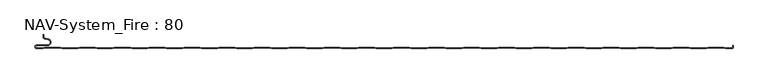
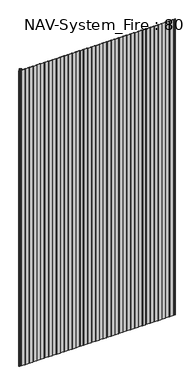
"""IFC4 building model written with IfcOpenShell, lengths in millimetres: plate geometry, NAV-System_Fire : 80."""

from ifc_helpers import new_model, si_unit, frame, origin, place, context, project, spatial, polyline, circle_curve, source, transform, mapped, element, save
from ifc_brep_helpers import plane_surface, cylinder_surface, revolved_surface, advanced_brep


def nav_system_fire_80_be6639ca(model_context):
    return source(origin(), model_context, "Body", "AdvancedBrep", [
        advanced_brep(
        [(-488.8798221, -80.8, 2000.0), (-497.2500001, -80.8, 2000.0), (-497.2500001, -77.4000001, 2000.0), (-481.8502086, -77.4000001, 2000.0), (-480.9923864, -67.5950498, 2000.0), (-485.8625665, -66.7363054, 2000.0), (-487.3500004, -64.9636506, 2000.0), (-487.3500014, -61.6578709, 2000.0), (-488.1500014, -61.6578709, 2000.0), (-488.1500014, -64.9636516, 2000.0), (-486.0014853, -67.5241512, 2000.0), (-481.1313015, -68.382896, 2000.0), (-481.850205, -76.6000001, 2000.0), (-497.2500001, -76.6000001, 2000.0), (-497.2500001, -81.6, 2000.0), (-488.75, -81.6, 2000.0), (-485.75, -80.6, 2000.0), (-463.75, -80.6, 2000.0), (-460.75, -81.6, 2000.0), (-438.75, -81.6, 2000.0), (-435.75, -80.6, 2000.0), (-413.75, -80.6, 2000.0), (-410.75, -81.6, 2000.0), (-388.75, -81.6, 2000.0), (-385.75, -80.6, 2000.0), (-363.75, -80.6, 2000.0), (-360.75, -81.6, 2000.0), (-338.75, -81.6, 2000.0), (-335.75, -80.6, 2000.0), (-313.75, -80.6, 2000.0), (-310.75, -81.6, 2000.0), (-288.75, -81.6, 2000.0), (-285.75, -80.6, 2000.0), (-263.75, -80.6, 2000.0), (-260.75, -81.6, 2000.0), (-238.75, -81.6, 2000.0), (-235.75, -80.6, 2000.0), (-213.75, -80.6, 2000.0), (-210.75, -81.6, 2000.0), (-188.75, -81.6, 2000.0), (-185.75, -80.6, 2000.0), (-163.75, -80.6, 2000.0), (-160.75, -81.6, 2000.0), (-138.75, -81.6, 2000.0), (-135.75, -80.6, 2000.0), (-113.75, -80.6, 2000.0), (-110.75, -81.6, 2000.0), (-88.75, -81.6, 2000.0), (-85.75, -80.6, 2000.0), (-63.75, -80.6, 2000.0), (-60.75, -81.6, 2000.0), (-38.75, -81.6, 2000.0), (-35.75, -80.6, 2000.0), (-13.75, -80.6, 2000.0), (-10.75, -81.6, 2000.0), (11.25, -81.6, 2000.0), (14.25, -80.6, 2000.0), (36.25, -80.6, 2000.0), (39.25, -81.6, 2000.0), (61.25, -81.6, 2000.0), (64.25, -80.6, 2000.0), (86.25, -80.6, 2000.0), (89.25, -81.6, 2000.0), (111.25, -81.6, 2000.0), (114.25, -80.6, 2000.0), (136.25, -80.6, 2000.0), (139.25, -81.6, 2000.0), (161.25, -81.6, 2000.0), (164.25, -80.6, 2000.0), (186.25, -80.6, 2000.0), (189.25, -81.6, 2000.0), (211.25, -81.6, 2000.0), (214.25, -80.6, 2000.0), (236.25, -80.6, 2000.0), (239.25, -81.6, 2000.0), (261.25, -81.6, 2000.0), (264.25, -80.6, 2000.0), (286.25, -80.6, 2000.0), (289.25, -81.6, 2000.0), (311.25, -81.6, 2000.0), (314.25, -80.6, 2000.0), (336.25, -80.6, 2000.0), (339.25, -81.6, 2000.0), (361.25, -81.6, 2000.0), (364.25, -80.6, 2000.0), (386.25, -80.6, 2000.0), (389.25, -81.6, 2000.0), (411.25, -81.6, 2000.0), (414.25, -80.6, 2000.0), (436.25, -80.6, 2000.0), (439.25, -81.6, 2000.0), (461.25, -81.6, 2000.0), (464.25, -80.6, 2000.0), (486.25, -80.6, 2000.0), (489.25, -81.6, 2000.0), (498.2500007, -81.6, 2000.0), (499.75, -80.9228766, 2000.0), (499.75, -76.9390429, 2000.0), (499.4499998, -78.1999953, 2000.0), (499.4499998, -79.5978602, 2000.0), (498.2500017, -80.7999998, 2000.0), (489.3798221, -80.8, 2000.0), (486.3798221, -79.8, 2000.0), (464.1201779, -79.8, 2000.0), (461.1201779, -80.8, 2000.0), (439.3798221, -80.8, 2000.0), (436.3798221, -79.8, 2000.0), (414.1201779, -79.8, 2000.0), (411.1201779, -80.8, 2000.0), (389.3798221, -80.8, 2000.0), (386.3798221, -79.8, 2000.0), (364.1201779, -79.8, 2000.0), (361.1201779, -80.8, 2000.0), (339.3798221, -80.8, 2000.0), (336.3798221, -79.8, 2000.0), (314.1201779, -79.8, 2000.0), (311.1201779, -80.8, 2000.0), (289.3798221, -80.8, 2000.0), (286.3798221, -79.8, 2000.0), (264.1201779, -79.8, 2000.0), (261.1201779, -80.8, 2000.0), (239.3798221, -80.8, 2000.0), (236.3798221, -79.8, 2000.0), (214.1201779, -79.8, 2000.0), (211.1201779, -80.8, 2000.0), (189.3798221, -80.8, 2000.0), (186.3798221, -79.8, 2000.0), (164.1201779, -79.8, 2000.0), (161.1201779, -80.8, 2000.0), (139.3798221, -80.8, 2000.0), (136.3798221, -79.8, 2000.0), (114.1201779, -79.8, 2000.0), (111.1201779, -80.8, 2000.0), (89.3798221, -80.8, 2000.0), (86.3798221, -79.8, 2000.0), (64.1201779, -79.8, 2000.0), (61.1201779, -80.8, 2000.0), (39.3798221, -80.8, 2000.0), (36.3798221, -79.8, 2000.0), (14.1201779, -79.8, 2000.0), (11.1201779, -80.8, 2000.0), (-10.6201779, -80.8, 2000.0), (-13.6201779, -79.8, 2000.0), (-35.8798221, -79.8, 2000.0), (-38.8798221, -80.8, 2000.0), (-60.6201779, -80.8, 2000.0), (-63.6201779, -79.8, 2000.0), (-85.8798221, -79.8, 2000.0), (-88.8798221, -80.8, 2000.0), (-110.6201779, -80.8, 2000.0), (-113.6201779, -79.8, 2000.0), (-135.8798221, -79.8, 2000.0), (-138.8798221, -80.8, 2000.0), (-160.6201779, -80.8, 2000.0), (-163.6201779, -79.8, 2000.0), (-185.8798221, -79.8, 2000.0), (-188.8798221, -80.8, 2000.0), (-210.6201779, -80.8, 2000.0), (-213.6201779, -79.8, 2000.0), (-235.8798221, -79.8, 2000.0), (-238.8798221, -80.8, 2000.0), (-260.6201779, -80.8, 2000.0), (-263.6201779, -79.8, 2000.0), (-285.8798221, -79.8, 2000.0), (-288.8798221, -80.8, 2000.0), (-310.6201779, -80.8, 2000.0), (-313.6201779, -79.8, 2000.0), (-335.8798221, -79.8, 2000.0), (-338.8798221, -80.8, 2000.0), (-360.6201779, -80.8, 2000.0), (-363.6201779, -79.8, 2000.0), (-385.8798221, -79.8, 2000.0), (-388.8798221, -80.8, 2000.0), (-410.6201779, -80.8, 2000.0), (-413.6201779, -79.8, 2000.0), (-435.8798221, -79.8, 2000.0), (-438.8798221, -80.8, 2000.0), (-460.6201779, -80.8, 2000.0), (-463.6201779, -79.8, 2000.0), (-485.8798221, -79.8, 2000.0), (-488.8798221, -80.8, 0.0), (-485.8798221, -79.8, 0.0), (-463.6201779, -79.8, 0.0), (-460.6201779, -80.8, 0.0), (-438.8798221, -80.8, 0.0), (-435.8798221, -79.8, 0.0), (-413.6201779, -79.8, 0.0), (-410.6201779, -80.8, 0.0), (-388.8798221, -80.8, 0.0), (-385.8798221, -79.8, 0.0), (-363.6201779, -79.8, 0.0), (-360.6201779, -80.8, 0.0), (-338.8798221, -80.8, 0.0), (-335.8798221, -79.8, 0.0), (-313.6201779, -79.8, 0.0), (-310.6201779, -80.8, 0.0), (-288.8798221, -80.8, 0.0), (-285.8798221, -79.8, 0.0), (-263.6201779, -79.8, 0.0), (-260.6201779, -80.8, 0.0), (-238.8798221, -80.8, 0.0), (-235.8798221, -79.8, 0.0), (-213.6201779, -79.8, 0.0), (-210.6201779, -80.8, 0.0), (-188.8798221, -80.8, 0.0), (-185.8798221, -79.8, 0.0), (-163.6201779, -79.8, 0.0), (-160.6201779, -80.8, 0.0), (-138.8798221, -80.8, 0.0), (-135.8798221, -79.8, 0.0), (-113.6201779, -79.8, 0.0), (-110.6201779, -80.8, 0.0), (-88.8798221, -80.8, 0.0), (-85.8798221, -79.8, 0.0), (-63.6201779, -79.8, 0.0), (-60.6201779, -80.8, 0.0), (-38.8798221, -80.8, 0.0), (-35.8798221, -79.8, 0.0), (-13.6201779, -79.8, 0.0), (-10.6201779, -80.8, 0.0), (11.1201779, -80.8, 0.0), (14.1201779, -79.8, 0.0), (36.3798221, -79.8, 0.0), (39.3798221, -80.8, 0.0), (61.1201779, -80.8, 0.0), (64.1201779, -79.8, 0.0), (86.3798221, -79.8, 0.0), (89.3798221, -80.8, 0.0), (111.1201779, -80.8, 0.0), (114.1201779, -79.8, 0.0), (136.3798221, -79.8, 0.0), (139.3798221, -80.8, 0.0), (161.1201779, -80.8, 0.0), (164.1201779, -79.8, 0.0), (186.3798221, -79.8, 0.0), (189.3798221, -80.8, 0.0), (211.1201779, -80.8, 0.0), (214.1201779, -79.8, 0.0), (236.3798221, -79.8, 0.0), (239.3798221, -80.8, 0.0), (261.1201779, -80.8, 0.0), (264.1201779, -79.8, 0.0), (286.3798221, -79.8, 0.0), (289.3798221, -80.8, 0.0), (311.1201779, -80.8, 0.0), (314.1201779, -79.8, 0.0), (336.3798221, -79.8, 0.0), (339.3798221, -80.8, 0.0), (361.1201779, -80.8, 0.0), (364.1201779, -79.8, 0.0), (386.3798221, -79.8, 0.0), (389.3798221, -80.8, 0.0), (411.1201779, -80.8, 0.0), (414.1201779, -79.8, 0.0), (436.3798221, -79.8, 0.0), (439.3798221, -80.8, 0.0), (461.1201779, -80.8, 0.0), (464.1201779, -79.8, 0.0), (486.3798221, -79.8, 0.0), (489.3798221, -80.8, 0.0), (498.2500017, -80.8, 0.0), (499.4499998, -79.5978602, 0.0), (499.4499998, -78.1999953, 0.0), (499.75, -76.9390429, 0.0), (499.75, -80.9228766, 0.0), (498.2500007, -81.6, 0.0), (489.25, -81.6, 0.0), (486.25, -80.6, 0.0), (464.25, -80.6, 0.0), (461.25, -81.6, 0.0), (439.25, -81.6, 0.0), (436.25, -80.6, 0.0), (414.25, -80.6, 0.0), (411.25, -81.6, 0.0), (389.25, -81.6, 0.0), (386.25, -80.6, 0.0), (364.25, -80.6, 0.0), (361.25, -81.6, 0.0), (339.25, -81.6, 0.0), (336.25, -80.6, 0.0), (314.25, -80.6, 0.0), (311.25, -81.6, 0.0), (289.25, -81.6, 0.0), (286.25, -80.6, 0.0), (264.25, -80.6, 0.0), (261.25, -81.6, 0.0), (239.25, -81.6, 0.0), (236.25, -80.6, 0.0), (214.25, -80.6, 0.0), (211.25, -81.6, 0.0), (189.25, -81.6, 0.0), (186.25, -80.6, 0.0), (164.25, -80.6, 0.0), (161.25, -81.6, 0.0), (139.25, -81.6, 0.0), (136.25, -80.6, 0.0), (114.25, -80.6, 0.0), (111.25, -81.6, 0.0), (89.25, -81.6, 0.0), (86.25, -80.6, 0.0), (64.25, -80.6, 0.0), (61.25, -81.6, 0.0), (39.25, -81.6, 0.0), (36.25, -80.6, 0.0), (14.25, -80.6, 0.0), (11.25, -81.6, 0.0), (-10.75, -81.6, 0.0), (-13.75, -80.6, 0.0), (-35.75, -80.6, 0.0), (-38.75, -81.6, 0.0), (-60.75, -81.6, 0.0), (-63.75, -80.6, 0.0), (-85.75, -80.6, 0.0), (-88.75, -81.6, 0.0), (-110.75, -81.6, 0.0), (-113.75, -80.6, 0.0), (-135.75, -80.6, 0.0), (-138.75, -81.6, 0.0), (-160.75, -81.6, 0.0), (-163.75, -80.6, 0.0), (-185.75, -80.6, 0.0), (-188.75, -81.6, 0.0), (-210.75, -81.6, 0.0), (-213.75, -80.6, 0.0), (-235.75, -80.6, 0.0), (-238.75, -81.6, 0.0), (-260.75, -81.6, 0.0), (-263.75, -80.6, 0.0), (-285.75, -80.6, 0.0), (-288.75, -81.6, 0.0), (-310.75, -81.6, 0.0), (-313.75, -80.6, 0.0), (-335.75, -80.6, 0.0), (-338.75, -81.6, 0.0), (-360.75, -81.6, 0.0), (-363.75, -80.6, 0.0), (-385.75, -80.6, 0.0), (-388.75, -81.6, 0.0), (-410.75, -81.6, 0.0), (-413.75, -80.6, 0.0), (-435.75, -80.6, 0.0), (-438.75, -81.6, 0.0), (-460.75, -81.6, 0.0), (-463.75, -80.6, 0.0), (-485.75, -80.6, 0.0), (-488.75, -81.6, 0.0), (-497.2500001, -81.6, 0.0), (-497.2500001, -76.6000001, 0.0), (-481.850205, -76.6000001, 0.0), (-481.1313015, -68.382896, 0.0), (-486.0014853, -67.5241512, 0.0), (-488.1499997, -64.9636516, 0.0), (-488.1500014, -61.6578709, 0.0), (-487.3500014, -61.6578709, 0.0), (-487.3500014, -64.9636506, 0.0), (-485.8625665, -66.7363054, 0.0), (-480.9923864, -67.5950498, 0.0), (-481.8502086, -77.4000001, 0.0), (-497.2500001, -77.4000001, 0.0), (-497.2500001, -80.7999998, 0.0)],
        [
            (0, 1),
            (1, 2, circle_curve(frame((-497.2500001, -79.1, 2000.0), z_axis=(0.0, 0.0, -1.0), x_axis=(1.0, 0.0, 0.0)), 1.6999999)),
            (2, 3),
            (3, 4, circle_curve(frame((-481.8502086, -72.4600001, 2000.0), z_axis=(0.0, 0.0, 1.0), x_axis=(1.0, 0.0, 0.0)), 4.94)),
            (4, 5),
            (5, 6, circle_curve(frame((-485.5499995, -64.9636506, 2000.0), z_axis=(0.0, 0.0, -1.0), x_axis=(1.0, 0.0, 0.0)), 1.8000009)),
            (6, 7),
            (7, 8),
            (8, 9),
            (9, 10, circle_curve(frame((-485.5500002, -64.9636516, 2000.0), z_axis=(0.0, 0.0, 1.0), x_axis=(1.0, 0.0, 0.0)), 2.5999995)),
            (10, 11),
            (11, 12, circle_curve(frame((-481.850205, -72.4600001, 2000.0), z_axis=(0.0, 0.0, -1.0), x_axis=(1.0, 0.0, 0.0)), 4.14)),
            (12, 13),
            (13, 14, circle_curve(frame((-497.2500001, -79.1000001, 2000.0), z_axis=(0.0, 0.0, 1.0), x_axis=(1.0, 0.0, 0.0)), 2.4999999)),
            (14, 15),
            (15, 16),
            (16, 17),
            (17, 18),
            (18, 19),
            (19, 20),
            (20, 21),
            (21, 22),
            (22, 23),
            (23, 24),
            (24, 25),
            (25, 26),
            (26, 27),
            (27, 28),
            (28, 29),
            (29, 30),
            (30, 31),
            (31, 32),
            (32, 33),
            (33, 34),
            (34, 35),
            (35, 36),
            (36, 37),
            (37, 38),
            (38, 39),
            (39, 40),
            (40, 41),
            (41, 42),
            (42, 43),
            (43, 44),
            (44, 45),
            (45, 46),
            (46, 47),
            (47, 48),
            (48, 49),
            (49, 50),
            (50, 51),
            (51, 52),
            (52, 53),
            (53, 54),
            (54, 55),
            (55, 56),
            (56, 57),
            (57, 58),
            (58, 59),
            (59, 60),
            (60, 61),
            (61, 62),
            (62, 63),
            (63, 64),
            (64, 65),
            (65, 66),
            (66, 67),
            (67, 68),
            (68, 69),
            (69, 70),
            (70, 71),
            (71, 72),
            (72, 73),
            (73, 74),
            (74, 75),
            (75, 76),
            (76, 77),
            (77, 78),
            (78, 79),
            (79, 80),
            (80, 81),
            (81, 82),
            (82, 83),
            (83, 84),
            (84, 85),
            (85, 86),
            (86, 87),
            (87, 88),
            (88, 89),
            (89, 90),
            (90, 91),
            (91, 92),
            (92, 93),
            (93, 94),
            (94, 95),
            (95, 96, circle_curve(frame((498.2500007, -79.5999998, 2000.0), z_axis=(0.0, 0.0, 1.0), x_axis=(1.0, 0.0, 0.0)), 2.0000002)),
            (96, 97),
            (97, 98, circle_curve(frame((502.2499995, -78.1999953, 2000.0), z_axis=(0.0, 0.0, 1.0), x_axis=(1.0, 0.0, 0.0)), 2.7999997)),
            (98, 99),
            (99, 100, circle_curve(frame((498.2500017, -79.5999998, 2000.0), z_axis=(0.0, 0.0, -1.0), x_axis=(1.0, 0.0, 0.0)), 1.2)),
            (100, 101),
            (101, 102),
            (102, 103),
            (103, 104),
            (104, 105),
            (105, 106),
            (106, 107),
            (107, 108),
            (108, 109),
            (109, 110),
            (110, 111),
            (111, 112),
            (112, 113),
            (113, 114),
            (114, 115),
            (115, 116),
            (116, 117),
            (117, 118),
            (118, 119),
            (119, 120),
            (120, 121),
            (121, 122),
            (122, 123),
            (123, 124),
            (124, 125),
            (125, 126),
            (126, 127),
            (127, 128),
            (128, 129),
            (129, 130),
            (130, 131),
            (131, 132),
            (132, 133),
            (133, 134),
            (134, 135),
            (135, 136),
            (136, 137),
            (137, 138),
            (138, 139),
            (139, 140),
            (140, 141),
            (141, 142),
            (142, 143),
            (143, 144),
            (144, 145),
            (145, 146),
            (146, 147),
            (147, 148),
            (148, 149),
            (149, 150),
            (150, 151),
            (151, 152),
            (152, 153),
            (153, 154),
            (154, 155),
            (155, 156),
            (156, 157),
            (157, 158),
            (158, 159),
            (159, 160),
            (160, 161),
            (161, 162),
            (162, 163),
            (163, 164),
            (164, 165),
            (165, 166),
            (166, 167),
            (167, 168),
            (168, 169),
            (169, 170),
            (170, 171),
            (171, 172),
            (172, 173),
            (173, 174),
            (174, 175),
            (175, 176),
            (176, 177),
            (177, 178),
            (178, 179),
            (179, 0),
            (180, 181),
            (181, 182),
            (182, 183),
            (183, 184),
            (184, 185),
            (185, 186),
            (186, 187),
            (187, 188),
            (188, 189),
            (189, 190),
            (190, 191),
            (191, 192),
            (192, 193),
            (193, 194),
            (194, 195),
            (195, 196),
            (196, 197),
            (197, 198),
            (198, 199),
            (199, 200),
            (200, 201),
            (201, 202),
            (202, 203),
            (203, 204),
            (204, 205),
            (205, 206),
            (206, 207),
            (207, 208),
            (208, 209),
            (209, 210),
            (210, 211),
            (211, 212),
            (212, 213),
            (213, 214),
            (214, 215),
            (215, 216),
            (216, 217),
            (217, 218),
            (218, 219),
            (219, 220),
            (220, 221),
            (221, 222),
            (222, 223),
            (223, 224),
            (224, 225),
            (225, 226),
            (226, 227),
            (227, 228),
            (228, 229),
            (229, 230),
            (230, 231),
            (231, 232),
            (232, 233),
            (233, 234),
            (234, 235),
            (235, 236),
            (236, 237),
            (237, 238),
            (238, 239),
            (239, 240),
            (240, 241),
            (241, 242),
            (242, 243),
            (243, 244),
            (244, 245),
            (245, 246),
            (246, 247),
            (247, 248),
            (248, 249),
            (249, 250),
            (250, 251),
            (251, 252),
            (252, 253),
            (253, 254),
            (254, 255),
            (255, 256),
            (256, 257),
            (257, 258),
            (258, 259),
            (259, 260),
            (260, 261, circle_curve(frame((498.2500017, -79.5999998, 0.0), z_axis=(0.0, 0.0, 1.0), x_axis=(1.0, 0.0, 0.0)), 1.2)),
            (261, 262),
            (262, 263, circle_curve(frame((502.2499995, -78.1999953, 0.0), z_axis=(0.0, 0.0, -1.0), x_axis=(1.0, 0.0, 0.0)), 2.7999997)),
            (263, 264),
            (264, 265, circle_curve(frame((498.2500007, -79.5999998, 0.0), z_axis=(0.0, 0.0, -1.0), x_axis=(1.0, 0.0, 0.0)), 2.0000002)),
            (265, 266),
            (266, 267),
            (267, 268),
            (268, 269),
            (269, 270),
            (270, 271),
            (271, 272),
            (272, 273),
            (273, 274),
            (274, 275),
            (275, 276),
            (276, 277),
            (277, 278),
            (278, 279),
            (279, 280),
            (280, 281),
            (281, 282),
            (282, 283),
            (283, 284),
            (284, 285),
            (285, 286),
            (286, 287),
            (287, 288),
            (288, 289),
            (289, 290),
            (290, 291),
            (291, 292),
            (292, 293),
            (293, 294),
            (294, 295),
            (295, 296),
            (296, 297),
            (297, 298),
            (298, 299),
            (299, 300),
            (300, 301),
            (301, 302),
            (302, 303),
            (303, 304),
            (304, 305),
            (305, 306),
            (306, 307),
            (307, 308),
            (308, 309),
            (309, 310),
            (310, 311),
            (311, 312),
            (312, 313),
            (313, 314),
            (314, 315),
            (315, 316),
            (316, 317),
            (317, 318),
            (318, 319),
            (319, 320),
            (320, 321),
            (321, 322),
            (322, 323),
            (323, 324),
            (324, 325),
            (325, 326),
            (326, 327),
            (327, 328),
            (328, 329),
            (329, 330),
            (330, 331),
            (331, 332),
            (332, 333),
            (333, 334),
            (334, 335),
            (335, 336),
            (336, 337),
            (337, 338),
            (338, 339),
            (339, 340),
            (340, 341),
            (341, 342),
            (342, 343),
            (343, 344),
            (344, 345),
            (345, 346),
            (346, 347, circle_curve(frame((-497.2500001, -79.1000001, 0.0), z_axis=(0.0, 0.0, -1.0), x_axis=(1.0, 0.0, 0.0)), 2.4999999)),
            (347, 348),
            (348, 349, circle_curve(frame((-481.850205, -72.4600001, 0.0), z_axis=(0.0, 0.0, 1.0), x_axis=(1.0, 0.0, 0.0)), 4.14)),
            (349, 350),
            (350, 351, circle_curve(frame((-485.5500002, -64.9636516, 0.0), z_axis=(0.0, 0.0, -1.0), x_axis=(1.0, 0.0, 0.0)), 2.5999995)),
            (351, 352),
            (352, 353),
            (353, 354),
            (354, 355, circle_curve(frame((-485.5499995, -64.9636506, 0.0), z_axis=(0.0, 0.0, 1.0), x_axis=(1.0, 0.0, 0.0)), 1.8000009)),
            (355, 356),
            (356, 357, circle_curve(frame((-481.8502086, -72.4600001, 0.0), z_axis=(0.0, 0.0, -1.0), x_axis=(1.0, 0.0, 0.0)), 4.94)),
            (357, 358),
            (358, 359, circle_curve(frame((-497.2500001, -79.1, 0.0), z_axis=(0.0, 0.0, 1.0), x_axis=(1.0, 0.0, 0.0)), 1.6999999)),
            (359, 180),
            (14, 346),
            (345, 15),
            (0, 180),
            (359, 1),
            (100, 260),
            (259, 101),
            (258, 102),
            (257, 103),
            (256, 104),
            (255, 105),
            (254, 106),
            (253, 107),
            (252, 108),
            (251, 109),
            (250, 110),
            (249, 111),
            (248, 112),
            (247, 113),
            (246, 114),
            (245, 115),
            (244, 116),
            (243, 117),
            (242, 118),
            (241, 119),
            (240, 120),
            (239, 121),
            (238, 122),
            (237, 123),
            (236, 124),
            (235, 125),
            (234, 126),
            (233, 127),
            (232, 128),
            (231, 129),
            (230, 130),
            (229, 131),
            (228, 132),
            (227, 133),
            (226, 134),
            (225, 135),
            (224, 136),
            (223, 137),
            (222, 138),
            (221, 139),
            (220, 140),
            (219, 141),
            (218, 142),
            (217, 143),
            (216, 144),
            (215, 145),
            (214, 146),
            (213, 147),
            (212, 148),
            (211, 149),
            (210, 150),
            (209, 151),
            (208, 152),
            (207, 153),
            (206, 154),
            (205, 155),
            (204, 156),
            (203, 157),
            (202, 158),
            (201, 159),
            (200, 160),
            (199, 161),
            (198, 162),
            (197, 163),
            (196, 164),
            (195, 165),
            (194, 166),
            (193, 167),
            (192, 168),
            (191, 169),
            (190, 170),
            (189, 171),
            (188, 172),
            (187, 173),
            (186, 174),
            (185, 175),
            (184, 176),
            (183, 177),
            (182, 178),
            (181, 179),
            (344, 16),
            (343, 17),
            (342, 18),
            (341, 19),
            (340, 20),
            (339, 21),
            (338, 22),
            (337, 23),
            (336, 24),
            (335, 25),
            (334, 26),
            (333, 27),
            (332, 28),
            (331, 29),
            (330, 30),
            (329, 31),
            (328, 32),
            (327, 33),
            (326, 34),
            (325, 35),
            (324, 36),
            (323, 37),
            (322, 38),
            (321, 39),
            (320, 40),
            (319, 41),
            (318, 42),
            (317, 43),
            (316, 44),
            (315, 45),
            (314, 46),
            (313, 47),
            (312, 48),
            (311, 49),
            (310, 50),
            (309, 51),
            (308, 52),
            (307, 53),
            (306, 54),
            (305, 55),
            (304, 56),
            (303, 57),
            (302, 58),
            (301, 59),
            (300, 60),
            (299, 61),
            (298, 62),
            (297, 63),
            (296, 64),
            (295, 65),
            (294, 66),
            (293, 67),
            (292, 68),
            (291, 69),
            (290, 70),
            (289, 71),
            (288, 72),
            (287, 73),
            (286, 74),
            (285, 75),
            (284, 76),
            (283, 77),
            (282, 78),
            (281, 79),
            (280, 80),
            (279, 81),
            (278, 82),
            (277, 83),
            (276, 84),
            (275, 85),
            (274, 86),
            (273, 87),
            (272, 88),
            (271, 89),
            (270, 90),
            (269, 91),
            (268, 92),
            (267, 93),
            (266, 94),
            (265, 95),
            (2, 358),
            (357, 3),
            (6, 354),
            (353, 7),
            (352, 8),
            (351, 9),
            (12, 348),
            (347, 13),
            (356, 4),
            (355, 5),
            (350, 10),
            (349, 11),
            (264, 96),
            (262, 98),
            (97, 263),
            (261, 99),
        ],
        [
            plane_surface(frame((-499.75, -81.6, 2000.0), z_axis=(0.0, 0.0, 1.0), x_axis=(-1.0, 0.0, 0.0))),
            plane_surface(frame((-499.75, -81.6, 0.0), z_axis=(0.0, 0.0, -1.0), x_axis=(-1.0, 0.0, 0.0))),
            plane_surface(frame((-497.2500001, -81.6, 2000.0), z_axis=(0.0, -1.0, 0.0), x_axis=(0.0, 0.0, -1.0))),
            plane_surface(frame((-488.8798221, -80.8, 2000.0), z_axis=(0.0, 1.0, 0.0), x_axis=(0.0, 0.0, -1.0))),
            plane_surface(frame((498.2500017, -80.8, 2000.0), z_axis=(0.0, 1.0, 0.0), x_axis=(0.0, 0.0, -1.0))),
            plane_surface(frame((489.3798221, -80.8, 2000.0), z_axis=(0.31622776601669583, 0.9486832980505612, 0.0), x_axis=(0.0, 0.0, -1.0))),
            plane_surface(frame((486.3798221, -79.8, 2000.0), z_axis=(0.0, 1.0, 0.0), x_axis=(0.0, 0.0, -1.0))),
            plane_surface(frame((464.1201779, -79.8, 2000.0), z_axis=(-0.31622776601680463, 0.948683298050525, 0.0), x_axis=(0.0, 0.0, -1.0))),
            plane_surface(frame((461.1201779, -80.8, 2000.0), z_axis=(0.0, 1.0, 0.0), x_axis=(0.0, 0.0, -1.0))),
            plane_surface(frame((439.3798221, -80.8, 2000.0), z_axis=(0.3162277660167412, 0.9486832980505461, 0.0), x_axis=(0.0, 0.0, -1.0))),
            plane_surface(frame((436.3798221, -79.8, 2000.0), z_axis=(0.0, 1.0, 0.0), x_axis=(0.0, 0.0, -1.0))),
            plane_surface(frame((414.1201779, -79.8, 2000.0), z_axis=(-0.3162277660167537, 0.948683298050542, 0.0), x_axis=(0.0, 0.0, -1.0))),
            plane_surface(frame((411.1201779, -80.8, 2000.0), z_axis=(0.0, 1.0, 0.0), x_axis=(0.0, 0.0, -1.0))),
            plane_surface(frame((389.3798221, -80.8, 2000.0), z_axis=(0.31622776601679214, 0.9486832980505291, 0.0), x_axis=(0.0, 0.0, -1.0))),
            plane_surface(frame((386.3798221, -79.8, 2000.0), z_axis=(0.0, 1.0, 0.0), x_axis=(0.0, 0.0, -1.0))),
            plane_surface(frame((364.1201779, -79.8, 2000.0), z_axis=(-0.31622776601680463, 0.948683298050525, 0.0), x_axis=(0.0, 0.0, -1.0))),
            plane_surface(frame((361.1201779, -80.8, 2000.0), z_axis=(0.0, 1.0, 0.0), x_axis=(0.0, 0.0, -1.0))),
            plane_surface(frame((339.3798221, -80.8, 2000.0), z_axis=(0.3162277660167412, 0.9486832980505461, 0.0), x_axis=(0.0, 0.0, -1.0))),
            plane_surface(frame((336.3798221, -79.8, 2000.0), z_axis=(0.0, 1.0, 0.0), x_axis=(0.0, 0.0, -1.0))),
            plane_surface(frame((314.1201779, -79.8, 2000.0), z_axis=(-0.3162277660167537, 0.948683298050542, 0.0), x_axis=(0.0, 0.0, -1.0))),
            plane_surface(frame((311.1201779, -80.8, 2000.0), z_axis=(0.0, 1.0, 0.0), x_axis=(0.0, 0.0, -1.0))),
            plane_surface(frame((289.3798221, -80.8, 2000.0), z_axis=(0.31622776601679214, 0.9486832980505291, 0.0), x_axis=(0.0, 0.0, -1.0))),
            plane_surface(frame((286.3798221, -79.8, 2000.0), z_axis=(0.0, 1.0, 0.0), x_axis=(0.0, 0.0, -1.0))),
            plane_surface(frame((264.1201779, -79.8, 2000.0), z_axis=(-0.31622776601680463, 0.948683298050525, 0.0), x_axis=(0.0, 0.0, -1.0))),
            plane_surface(frame((261.1201779, -80.8, 2000.0), z_axis=(0.0, 1.0, 0.0), x_axis=(0.0, 0.0, -1.0))),
            plane_surface(frame((239.3798221, -80.8, 2000.0), z_axis=(0.3162277660167412, 0.9486832980505461, 0.0), x_axis=(0.0, 0.0, -1.0))),
            plane_surface(frame((236.3798221, -79.8, 2000.0), z_axis=(0.0, 1.0, 0.0), x_axis=(0.0, 0.0, -1.0))),
            plane_surface(frame((214.1201779, -79.8, 2000.0), z_axis=(-0.3162277660167537, 0.948683298050542, 0.0), x_axis=(0.0, 0.0, -1.0))),
            plane_surface(frame((211.1201779, -80.8, 2000.0), z_axis=(0.0, 1.0, 0.0), x_axis=(0.0, 0.0, -1.0))),
            plane_surface(frame((189.3798221, -80.8, 2000.0), z_axis=(0.31622776601679214, 0.9486832980505291, 0.0), x_axis=(0.0, 0.0, -1.0))),
            plane_surface(frame((186.3798221, -79.8, 2000.0), z_axis=(0.0, 1.0, 0.0), x_axis=(0.0, 0.0, -1.0))),
            plane_surface(frame((164.1201779, -79.8, 2000.0), z_axis=(-0.31622776601680463, 0.948683298050525, 0.0), x_axis=(0.0, 0.0, -1.0))),
            plane_surface(frame((161.1201779, -80.8, 2000.0), z_axis=(0.0, 1.0, 0.0), x_axis=(0.0, 0.0, -1.0))),
            plane_surface(frame((139.3798221, -80.8, 2000.0), z_axis=(0.3162277660167412, 0.9486832980505461, 0.0), x_axis=(0.0, 0.0, -1.0))),
            plane_surface(frame((136.3798221, -79.8, 2000.0), z_axis=(0.0, 1.0, 0.0), x_axis=(0.0, 0.0, -1.0))),
            plane_surface(frame((114.1201779, -79.8, 2000.0), z_axis=(-0.3162277660167537, 0.948683298050542, 0.0), x_axis=(0.0, 0.0, -1.0))),
            plane_surface(frame((111.1201779, -80.8, 2000.0), z_axis=(0.0, 1.0, 0.0), x_axis=(0.0, 0.0, -1.0))),
            plane_surface(frame((89.3798221, -80.8, 2000.0), z_axis=(0.3162277660167412, 0.9486832980505461, 0.0), x_axis=(0.0, 0.0, -1.0))),
            plane_surface(frame((86.3798221, -79.8, 2000.0), z_axis=(0.0, 1.0, 0.0), x_axis=(0.0, 0.0, -1.0))),
            plane_surface(frame((64.1201779, -79.8, 2000.0), z_axis=(-0.3162277660167537, 0.948683298050542, 0.0), x_axis=(0.0, 0.0, -1.0))),
            plane_surface(frame((61.1201779, -80.8, 2000.0), z_axis=(0.0, 1.0, 0.0), x_axis=(0.0, 0.0, -1.0))),
            plane_surface(frame((39.3798221, -80.8, 2000.0), z_axis=(0.31622776601679214, 0.9486832980505291, 0.0), x_axis=(0.0, 0.0, -1.0))),
            plane_surface(frame((36.3798221, -79.8, 2000.0), z_axis=(0.0, 1.0, 0.0), x_axis=(0.0, 0.0, -1.0))),
            plane_surface(frame((14.1201779, -79.8, 2000.0), z_axis=(-0.31622776601680463, 0.948683298050525, 0.0), x_axis=(0.0, 0.0, -1.0))),
            plane_surface(frame((11.1201779, -80.8, 2000.0), z_axis=(0.0, 1.0, 0.0), x_axis=(0.0, 0.0, -1.0))),
            plane_surface(frame((-10.6201779, -80.8, 2000.0), z_axis=(0.3162277660167412, 0.9486832980505461, 0.0), x_axis=(0.0, 0.0, -1.0))),
            plane_surface(frame((-13.6201779, -79.8, 2000.0), z_axis=(0.0, 1.0, 0.0), x_axis=(0.0, 0.0, -1.0))),
            plane_surface(frame((-35.8798221, -79.8, 2000.0), z_axis=(-0.3162277660167537, 0.948683298050542, 0.0), x_axis=(0.0, 0.0, -1.0))),
            plane_surface(frame((-38.8798221, -80.8, 2000.0), z_axis=(0.0, 1.0, 0.0), x_axis=(0.0, 0.0, -1.0))),
            plane_surface(frame((-60.6201779, -80.8, 2000.0), z_axis=(0.31622776601679214, 0.9486832980505291, 0.0), x_axis=(0.0, 0.0, -1.0))),
            plane_surface(frame((-63.6201779, -79.8, 2000.0), z_axis=(0.0, 1.0, 0.0), x_axis=(0.0, 0.0, -1.0))),
            plane_surface(frame((-85.8798221, -79.8, 2000.0), z_axis=(-0.31622776601680463, 0.948683298050525, 0.0), x_axis=(0.0, 0.0, -1.0))),
            plane_surface(frame((-88.8798221, -80.8, 2000.0), z_axis=(0.0, 1.0, 0.0), x_axis=(0.0, 0.0, -1.0))),
            plane_surface(frame((-110.6201779, -80.8, 2000.0), z_axis=(0.3162277660167412, 0.9486832980505461, 0.0), x_axis=(0.0, 0.0, -1.0))),
            plane_surface(frame((-113.6201779, -79.8, 2000.0), z_axis=(0.0, 1.0, 0.0), x_axis=(0.0, 0.0, -1.0))),
            plane_surface(frame((-135.8798221, -79.8, 2000.0), z_axis=(-0.3162277660167537, 0.948683298050542, 0.0), x_axis=(0.0, 0.0, -1.0))),
            plane_surface(frame((-138.8798221, -80.8, 2000.0), z_axis=(0.0, 1.0, 0.0), x_axis=(0.0, 0.0, -1.0))),
            plane_surface(frame((-160.6201779, -80.8, 2000.0), z_axis=(0.31622776601679214, 0.9486832980505291, 0.0), x_axis=(0.0, 0.0, -1.0))),
            plane_surface(frame((-163.6201779, -79.8, 2000.0), z_axis=(0.0, 1.0, 0.0), x_axis=(0.0, 0.0, -1.0))),
            plane_surface(frame((-185.8798221, -79.8, 2000.0), z_axis=(-0.3162277660168057, 0.9486832980505246, 0.0), x_axis=(0.0, 0.0, -1.0))),
            plane_surface(frame((-188.8798221, -80.8, 2000.0), z_axis=(0.0, 1.0, 0.0), x_axis=(0.0, 0.0, -1.0))),
            plane_surface(frame((-210.6201779, -80.8, 2000.0), z_axis=(0.3162277660167412, 0.9486832980505461, 0.0), x_axis=(0.0, 0.0, -1.0))),
            plane_surface(frame((-213.6201779, -79.8, 2000.0), z_axis=(0.0, 1.0, 0.0), x_axis=(0.0, 0.0, -1.0))),
            plane_surface(frame((-235.8798221, -79.8, 2000.0), z_axis=(-0.3162277660167537, 0.948683298050542, 0.0), x_axis=(0.0, 0.0, -1.0))),
            plane_surface(frame((-238.8798221, -80.8, 2000.0), z_axis=(0.0, 1.0, 0.0), x_axis=(0.0, 0.0, -1.0))),
            plane_surface(frame((-260.6201779, -80.8, 2000.0), z_axis=(0.31622776601679214, 0.9486832980505291, 0.0), x_axis=(0.0, 0.0, -1.0))),
            plane_surface(frame((-263.6201779, -79.8, 2000.0), z_axis=(0.0, 1.0, 0.0), x_axis=(0.0, 0.0, -1.0))),
            plane_surface(frame((-285.8798221, -79.8, 2000.0), z_axis=(-0.31622776601680463, 0.948683298050525, 0.0), x_axis=(0.0, 0.0, -1.0))),
            plane_surface(frame((-288.8798221, -80.8, 2000.0), z_axis=(0.0, 1.0, 0.0), x_axis=(0.0, 0.0, -1.0))),
            plane_surface(frame((-310.6201779, -80.8, 2000.0), z_axis=(0.3162277660167412, 0.9486832980505461, 0.0), x_axis=(0.0, 0.0, -1.0))),
            plane_surface(frame((-313.6201779, -79.8, 2000.0), z_axis=(0.0, 1.0, 0.0), x_axis=(0.0, 0.0, -1.0))),
            plane_surface(frame((-335.8798221, -79.8, 2000.0), z_axis=(-0.3162277660167537, 0.948683298050542, 0.0), x_axis=(0.0, 0.0, -1.0))),
            plane_surface(frame((-338.8798221, -80.8, 2000.0), z_axis=(0.0, 1.0, 0.0), x_axis=(0.0, 0.0, -1.0))),
            plane_surface(frame((-360.6201779, -80.8, 2000.0), z_axis=(0.31622776601679214, 0.9486832980505291, 0.0), x_axis=(0.0, 0.0, -1.0))),
            plane_surface(frame((-363.6201779, -79.8, 2000.0), z_axis=(0.0, 1.0, 0.0), x_axis=(0.0, 0.0, -1.0))),
            plane_surface(frame((-385.8798221, -79.8, 2000.0), z_axis=(-0.31622776601680463, 0.948683298050525, 0.0), x_axis=(0.0, 0.0, -1.0))),
            plane_surface(frame((-388.8798221, -80.8, 2000.0), z_axis=(0.0, 1.0, 0.0), x_axis=(0.0, 0.0, -1.0))),
            plane_surface(frame((-410.6201779, -80.8, 2000.0), z_axis=(0.31622776601679214, 0.9486832980505291, 0.0), x_axis=(0.0, 0.0, -1.0))),
            plane_surface(frame((-413.6201779, -79.8, 2000.0), z_axis=(0.0, 1.0, 0.0), x_axis=(0.0, 0.0, -1.0))),
            plane_surface(frame((-435.8798221, -79.8, 2000.0), z_axis=(-0.31622776601680463, 0.948683298050525, 0.0), x_axis=(0.0, 0.0, -1.0))),
            plane_surface(frame((-438.8798221, -80.8, 2000.0), z_axis=(0.0, 1.0, 0.0), x_axis=(0.0, 0.0, -1.0))),
            plane_surface(frame((-460.6201779, -80.8, 2000.0), z_axis=(0.3162277660167412, 0.9486832980505461, 0.0), x_axis=(0.0, 0.0, -1.0))),
            plane_surface(frame((-463.6201779, -79.8, 2000.0), z_axis=(0.0, 1.0, 0.0), x_axis=(0.0, 0.0, -1.0))),
            plane_surface(frame((-485.8798221, -79.8, 2000.0), z_axis=(-0.3162277660167414, 0.9486832980505461, 0.0), x_axis=(0.0, 0.0, -1.0))),
            plane_surface(frame((-488.75, -81.6, 2000.0), z_axis=(0.31622776601671876, -0.9486832980505536, 0.0), x_axis=(0.0, 0.0, -1.0))),
            plane_surface(frame((-485.75, -80.6, 2000.0), z_axis=(0.0, -1.0, 0.0), x_axis=(0.0, 0.0, -1.0))),
            plane_surface(frame((-463.75, -80.6, 2000.0), z_axis=(-0.31622776601671854, -0.9486832980505536, 0.0), x_axis=(0.0, 0.0, -1.0))),
            plane_surface(frame((-460.75, -81.6, 2000.0), z_axis=(0.0, -1.0, 0.0), x_axis=(0.0, 0.0, -1.0))),
            plane_surface(frame((-438.75, -81.6, 2000.0), z_axis=(0.31622776601678765, -0.9486832980505306, 0.0), x_axis=(0.0, 0.0, -1.0))),
            plane_surface(frame((-435.75, -80.6, 2000.0), z_axis=(0.0, -1.0, 0.0), x_axis=(0.0, 0.0, -1.0))),
            plane_surface(frame((-413.75, -80.6, 2000.0), z_axis=(-0.3162277660167751, -0.9486832980505348, 0.0), x_axis=(0.0, 0.0, -1.0))),
            plane_surface(frame((-410.75, -81.6, 2000.0), z_axis=(0.0, -1.0, 0.0), x_axis=(0.0, 0.0, -1.0))),
            plane_surface(frame((-388.75, -81.6, 2000.0), z_axis=(0.31622776601678765, -0.9486832980505306, 0.0), x_axis=(0.0, 0.0, -1.0))),
            plane_surface(frame((-385.75, -80.6, 2000.0), z_axis=(0.0, -1.0, 0.0), x_axis=(0.0, 0.0, -1.0))),
            plane_surface(frame((-363.75, -80.6, 2000.0), z_axis=(-0.3162277660167751, -0.9486832980505348, 0.0), x_axis=(0.0, 0.0, -1.0))),
            plane_surface(frame((-360.75, -81.6, 2000.0), z_axis=(0.0, -1.0, 0.0), x_axis=(0.0, 0.0, -1.0))),
            plane_surface(frame((-338.75, -81.6, 2000.0), z_axis=(0.316227766016731, -0.9486832980505495, 0.0), x_axis=(0.0, 0.0, -1.0))),
            plane_surface(frame((-335.75, -80.6, 2000.0), z_axis=(0.0, -1.0, 0.0), x_axis=(0.0, 0.0, -1.0))),
            plane_surface(frame((-313.75, -80.6, 2000.0), z_axis=(-0.31622776601671854, -0.9486832980505536, 0.0), x_axis=(0.0, 0.0, -1.0))),
            plane_surface(frame((-310.75, -81.6, 2000.0), z_axis=(0.0, -1.0, 0.0), x_axis=(0.0, 0.0, -1.0))),
            plane_surface(frame((-288.75, -81.6, 2000.0), z_axis=(0.31622776601678765, -0.9486832980505306, 0.0), x_axis=(0.0, 0.0, -1.0))),
            plane_surface(frame((-285.75, -80.6, 2000.0), z_axis=(0.0, -1.0, 0.0), x_axis=(0.0, 0.0, -1.0))),
            plane_surface(frame((-263.75, -80.6, 2000.0), z_axis=(-0.3162277660167751, -0.9486832980505348, 0.0), x_axis=(0.0, 0.0, -1.0))),
            plane_surface(frame((-260.75, -81.6, 2000.0), z_axis=(0.0, -1.0, 0.0), x_axis=(0.0, 0.0, -1.0))),
            plane_surface(frame((-238.75, -81.6, 2000.0), z_axis=(0.316227766016731, -0.9486832980505495, 0.0), x_axis=(0.0, 0.0, -1.0))),
            plane_surface(frame((-235.75, -80.6, 2000.0), z_axis=(0.0, -1.0, 0.0), x_axis=(0.0, 0.0, -1.0))),
            plane_surface(frame((-213.75, -80.6, 2000.0), z_axis=(-0.31622776601671854, -0.9486832980505536, 0.0), x_axis=(0.0, 0.0, -1.0))),
            plane_surface(frame((-210.75, -81.6, 2000.0), z_axis=(0.0, -1.0, 0.0), x_axis=(0.0, 0.0, -1.0))),
            plane_surface(frame((-188.75, -81.6, 2000.0), z_axis=(0.3162277660168057, -0.9486832980505246, 0.0), x_axis=(0.0, 0.0, -1.0))),
            plane_surface(frame((-185.75, -80.6, 2000.0), z_axis=(0.0, -1.0, 0.0), x_axis=(0.0, 0.0, -1.0))),
            plane_surface(frame((-163.75, -80.6, 2000.0), z_axis=(-0.3162277660167751, -0.9486832980505348, 0.0), x_axis=(0.0, 0.0, -1.0))),
            plane_surface(frame((-160.75, -81.6, 2000.0), z_axis=(0.0, -1.0, 0.0), x_axis=(0.0, 0.0, -1.0))),
            plane_surface(frame((-138.75, -81.6, 2000.0), z_axis=(0.316227766016731, -0.9486832980505495, 0.0), x_axis=(0.0, 0.0, -1.0))),
            plane_surface(frame((-135.75, -80.6, 2000.0), z_axis=(0.0, -1.0, 0.0), x_axis=(0.0, 0.0, -1.0))),
            plane_surface(frame((-113.75, -80.6, 2000.0), z_axis=(-0.31622776601671854, -0.9486832980505536, 0.0), x_axis=(0.0, 0.0, -1.0))),
            plane_surface(frame((-110.75, -81.6, 2000.0), z_axis=(0.0, -1.0, 0.0), x_axis=(0.0, 0.0, -1.0))),
            plane_surface(frame((-88.75, -81.6, 2000.0), z_axis=(0.31622776601678765, -0.9486832980505306, 0.0), x_axis=(0.0, 0.0, -1.0))),
            plane_surface(frame((-85.75, -80.6, 2000.0), z_axis=(0.0, -1.0, 0.0), x_axis=(0.0, 0.0, -1.0))),
            plane_surface(frame((-63.75, -80.6, 2000.0), z_axis=(-0.3162277660167751, -0.9486832980505348, 0.0), x_axis=(0.0, 0.0, -1.0))),
            plane_surface(frame((-60.75, -81.6, 2000.0), z_axis=(0.0, -1.0, 0.0), x_axis=(0.0, 0.0, -1.0))),
            plane_surface(frame((-38.75, -81.6, 2000.0), z_axis=(0.316227766016731, -0.9486832980505495, 0.0), x_axis=(0.0, 0.0, -1.0))),
            plane_surface(frame((-35.75, -80.6, 2000.0), z_axis=(0.0, -1.0, 0.0), x_axis=(0.0, 0.0, -1.0))),
            plane_surface(frame((-13.75, -80.6, 2000.0), z_axis=(-0.31622776601671854, -0.9486832980505536, 0.0), x_axis=(0.0, 0.0, -1.0))),
            plane_surface(frame((-10.75, -81.6, 2000.0), z_axis=(0.0, -1.0, 0.0), x_axis=(0.0, 0.0, -1.0))),
            plane_surface(frame((11.25, -81.6, 2000.0), z_axis=(0.31622776601678765, -0.9486832980505306, 0.0), x_axis=(0.0, 0.0, -1.0))),
            plane_surface(frame((14.25, -80.6, 2000.0), z_axis=(0.0, -1.0, 0.0), x_axis=(0.0, 0.0, -1.0))),
            plane_surface(frame((36.25, -80.6, 2000.0), z_axis=(-0.3162277660167751, -0.9486832980505348, 0.0), x_axis=(0.0, 0.0, -1.0))),
            plane_surface(frame((39.25, -81.6, 2000.0), z_axis=(0.0, -1.0, 0.0), x_axis=(0.0, 0.0, -1.0))),
            plane_surface(frame((61.25, -81.6, 2000.0), z_axis=(0.316227766016731, -0.9486832980505495, 0.0), x_axis=(0.0, 0.0, -1.0))),
            plane_surface(frame((64.25, -80.6, 2000.0), z_axis=(0.0, -1.0, 0.0), x_axis=(0.0, 0.0, -1.0))),
            plane_surface(frame((86.25, -80.6, 2000.0), z_axis=(-0.31622776601671854, -0.9486832980505536, 0.0), x_axis=(0.0, 0.0, -1.0))),
            plane_surface(frame((89.25, -81.6, 2000.0), z_axis=(0.0, -1.0, 0.0), x_axis=(0.0, 0.0, -1.0))),
            plane_surface(frame((111.25, -81.6, 2000.0), z_axis=(0.316227766016731, -0.9486832980505495, 0.0), x_axis=(0.0, 0.0, -1.0))),
            plane_surface(frame((114.25, -80.6, 2000.0), z_axis=(0.0, -1.0, 0.0), x_axis=(0.0, 0.0, -1.0))),
            plane_surface(frame((136.25, -80.6, 2000.0), z_axis=(-0.31622776601671854, -0.9486832980505536, 0.0), x_axis=(0.0, 0.0, -1.0))),
            plane_surface(frame((139.25, -81.6, 2000.0), z_axis=(0.0, -1.0, 0.0), x_axis=(0.0, 0.0, -1.0))),
            plane_surface(frame((161.25, -81.6, 2000.0), z_axis=(0.31622776601678765, -0.9486832980505306, 0.0), x_axis=(0.0, 0.0, -1.0))),
            plane_surface(frame((164.25, -80.6, 2000.0), z_axis=(0.0, -1.0, 0.0), x_axis=(0.0, 0.0, -1.0))),
            plane_surface(frame((186.25, -80.6, 2000.0), z_axis=(-0.3162277660167751, -0.9486832980505348, 0.0), x_axis=(0.0, 0.0, -1.0))),
            plane_surface(frame((189.25, -81.6, 2000.0), z_axis=(0.0, -1.0, 0.0), x_axis=(0.0, 0.0, -1.0))),
            plane_surface(frame((211.25, -81.6, 2000.0), z_axis=(0.316227766016731, -0.9486832980505495, 0.0), x_axis=(0.0, 0.0, -1.0))),
            plane_surface(frame((214.25, -80.6, 2000.0), z_axis=(0.0, -1.0, 0.0), x_axis=(0.0, 0.0, -1.0))),
            plane_surface(frame((236.25, -80.6, 2000.0), z_axis=(-0.31622776601671854, -0.9486832980505536, 0.0), x_axis=(0.0, 0.0, -1.0))),
            plane_surface(frame((239.25, -81.6, 2000.0), z_axis=(0.0, -1.0, 0.0), x_axis=(0.0, 0.0, -1.0))),
            plane_surface(frame((261.25, -81.6, 2000.0), z_axis=(0.31622776601678765, -0.9486832980505306, 0.0), x_axis=(0.0, 0.0, -1.0))),
            plane_surface(frame((264.25, -80.6, 2000.0), z_axis=(0.0, -1.0, 0.0), x_axis=(0.0, 0.0, -1.0))),
            plane_surface(frame((286.25, -80.6, 2000.0), z_axis=(-0.3162277660167751, -0.9486832980505348, 0.0), x_axis=(0.0, 0.0, -1.0))),
            plane_surface(frame((289.25, -81.6, 2000.0), z_axis=(0.0, -1.0, 0.0), x_axis=(0.0, 0.0, -1.0))),
            plane_surface(frame((311.25, -81.6, 2000.0), z_axis=(0.316227766016731, -0.9486832980505495, 0.0), x_axis=(0.0, 0.0, -1.0))),
            plane_surface(frame((314.25, -80.6, 2000.0), z_axis=(0.0, -1.0, 0.0), x_axis=(0.0, 0.0, -1.0))),
            plane_surface(frame((336.25, -80.6, 2000.0), z_axis=(-0.31622776601671854, -0.9486832980505536, 0.0), x_axis=(0.0, 0.0, -1.0))),
            plane_surface(frame((339.25, -81.6, 2000.0), z_axis=(0.0, -1.0, 0.0), x_axis=(0.0, 0.0, -1.0))),
            plane_surface(frame((361.25, -81.6, 2000.0), z_axis=(0.31622776601678765, -0.9486832980505306, 0.0), x_axis=(0.0, 0.0, -1.0))),
            plane_surface(frame((364.25, -80.6, 2000.0), z_axis=(0.0, -1.0, 0.0), x_axis=(0.0, 0.0, -1.0))),
            plane_surface(frame((386.25, -80.6, 2000.0), z_axis=(-0.3162277660167751, -0.9486832980505348, 0.0), x_axis=(0.0, 0.0, -1.0))),
            plane_surface(frame((389.25, -81.6, 2000.0), z_axis=(0.0, -1.0, 0.0), x_axis=(0.0, 0.0, -1.0))),
            plane_surface(frame((411.25, -81.6, 2000.0), z_axis=(0.316227766016731, -0.9486832980505495, 0.0), x_axis=(0.0, 0.0, -1.0))),
            plane_surface(frame((414.25, -80.6, 2000.0), z_axis=(0.0, -1.0, 0.0), x_axis=(0.0, 0.0, -1.0))),
            plane_surface(frame((436.25, -80.6, 2000.0), z_axis=(-0.31622776601671854, -0.9486832980505536, 0.0), x_axis=(0.0, 0.0, -1.0))),
            plane_surface(frame((439.25, -81.6, 2000.0), z_axis=(0.0, -1.0, 0.0), x_axis=(0.0, 0.0, -1.0))),
            plane_surface(frame((461.25, -81.6, 2000.0), z_axis=(0.31622776601678765, -0.9486832980505306, 0.0), x_axis=(0.0, 0.0, -1.0))),
            plane_surface(frame((464.25, -80.6, 2000.0), z_axis=(0.0, -1.0, 0.0), x_axis=(0.0, 0.0, -1.0))),
            plane_surface(frame((486.25, -80.6, 2000.0), z_axis=(-0.3162277660166733, -0.9486832980505688, 0.0), x_axis=(0.0, 0.0, -1.0))),
            plane_surface(frame((489.25, -81.6, 2000.0), z_axis=(0.0, -1.0, 0.0), x_axis=(0.0, 0.0, -1.0))),
            plane_surface(frame((-497.2500001, -77.4000001, 2000.0), z_axis=(0.0, -1.0, 0.0), x_axis=(0.0, 0.0, -1.0))),
            plane_surface(frame((-487.3500014, -64.9636506, 2000.0), z_axis=(1.0, 0.0, 0.0), x_axis=(0.0, 0.0, -1.0))),
            plane_surface(frame((-487.3500014, -61.6578709, 2000.0), z_axis=(0.0, 1.0, 0.0), x_axis=(0.0, 0.0, -1.0))),
            plane_surface(frame((-488.1500014, -61.6578709, 2000.0), z_axis=(-1.0, 0.0, 0.0), x_axis=(0.0, 0.0, -1.0))),
            plane_surface(frame((-481.850205, -76.6000001, 2000.0), z_axis=(0.0, 1.0, 0.0), x_axis=(0.0, 0.0, -1.0))),
            revolved_surface(polyline([(-495.5500002, -79.1, 0.0), (-495.5500002, -79.1, 2000.0)]), (-497.2500001, -79.1, 2000.0), (0.0, 0.0, -1.0)),
            cylinder_surface(frame((-481.8502086, -72.4600001, 2000.0), z_axis=(0.0, 0.0, 1.0), x_axis=(1.0, 0.0, 0.0)), 4.94),
            plane_surface(frame((-480.9923864, -67.5950498, 2000.0), z_axis=(0.17364822279076958, 0.9848077450556567, 0.0), x_axis=(0.0, 0.0, -1.0))),
            revolved_surface(polyline([(-483.7499986, -64.9636506, 0.0), (-483.7499986, -64.9636506, 2000.0)]), (-485.5499995, -64.9636506, 2000.0), (0.0, 0.0, -1.0)),
            cylinder_surface(frame((-485.5500002, -64.9636516, 2000.0), z_axis=(0.0, 0.0, 1.0), x_axis=(1.0, 0.0, 0.0)), 2.5999995),
            plane_surface(frame((-486.0014853, -67.5241512, 2000.0), z_axis=(-0.17364817295915438, -0.984807753842316, 0.0), x_axis=(0.0, 0.0, -1.0))),
            revolved_surface(polyline([(-477.71020500000003, -72.4600001, 0.0), (-477.71020500000003, -72.4600001, 2000.0)]), (-481.850205, -72.4600001, 2000.0), (0.0, 0.0, -1.0)),
            cylinder_surface(frame((-497.2500001, -79.1000001, 2000.0), z_axis=(0.0, 0.0, 1.0), x_axis=(1.0, 0.0, 0.0)), 2.4999999),
            cylinder_surface(frame((498.2500007, -79.5999998, 2000.0), z_axis=(0.0, 0.0, 1.0), x_axis=(1.0, 0.0, 0.0)), 2.0000002),
            cylinder_surface(frame((502.2499995, -78.1999953, 2000.0), z_axis=(0.0, 0.0, 1.0), x_axis=(1.0, 0.0, 0.0)), 2.7999997),
            plane_surface(frame((499.4499998, -78.1999953, 2000.0), z_axis=(-1.0, 0.0, 0.0), x_axis=(0.0, 0.0, -1.0))),
            revolved_surface(polyline([(499.4500017, -79.5999998, 0.0), (499.4500017, -79.5999998, 2000.0)]), (498.2500017, -79.5999998, 2000.0), (0.0, 0.0, -1.0)),
            plane_surface(frame((499.75, 100.0, 2000.0), z_axis=(1.0, 0.0, 0.0), x_axis=(0.0, 0.0, -1.0))),
        ],
        [
            (0, [[1, 2, 3, 4, 5, 6, 7, 8, 9, 10, 11, 12, 13, 14, 15, 16, 17, 18, 19, 20, 21, 22, 23, 24, 25, 26, 27, 28, 29, 30, 31, 32, 33, 34, 35, 36, 37, 38, 39, 40, 41, 42, 43, 44, 45, 46, 47, 48, 49, 50, 51, 52, 53, 54, 55, 56, 57, 58, 59, 60, 61, 62, 63, 64, 65, 66, 67, 68, 69, 70, 71, 72, 73, 74, 75, 76, 77, 78, 79, 80, 81, 82, 83, 84, 85, 86, 87, 88, 89, 90, 91, 92, 93, 94, 95, 96, 97, 98, 99, 100, 101, 102, 103, 104, 105, 106, 107, 108, 109, 110, 111, 112, 113, 114, 115, 116, 117, 118, 119, 120, 121, 122, 123, 124, 125, 126, 127, 128, 129, 130, 131, 132, 133, 134, 135, 136, 137, 138, 139, 140, 141, 142, 143, 144, 145, 146, 147, 148, 149, 150, 151, 152, 153, 154, 155, 156, 157, 158, 159, 160, 161, 162, 163, 164, 165, 166, 167, 168, 169, 170, 171, 172, 173, 174, 175, 176, 177, 178, 179, 180]]),
            (1, [[181, 182, 183, 184, 185, 186, 187, 188, 189, 190, 191, 192, 193, 194, 195, 196, 197, 198, 199, 200, 201, 202, 203, 204, 205, 206, 207, 208, 209, 210, 211, 212, 213, 214, 215, 216, 217, 218, 219, 220, 221, 222, 223, 224, 225, 226, 227, 228, 229, 230, 231, 232, 233, 234, 235, 236, 237, 238, 239, 240, 241, 242, 243, 244, 245, 246, 247, 248, 249, 250, 251, 252, 253, 254, 255, 256, 257, 258, 259, 260, 261, 262, 263, 264, 265, 266, 267, 268, 269, 270, 271, 272, 273, 274, 275, 276, 277, 278, 279, 280, 281, 282, 283, 284, 285, 286, 287, 288, 289, 290, 291, 292, 293, 294, 295, 296, 297, 298, 299, 300, 301, 302, 303, 304, 305, 306, 307, 308, 309, 310, 311, 312, 313, 314, 315, 316, 317, 318, 319, 320, 321, 322, 323, 324, 325, 326, 327, 328, 329, 330, 331, 332, 333, 334, 335, 336, 337, 338, 339, 340, 341, 342, 343, 344, 345, 346, 347, 348, 349, 350, 351, 352, 353, 354, 355, 356, 357, 358, 359, 360]]),
            (2, [[-15, 361, -346, 362]]),
            (3, [[-1, 363, -360, 364]]),
            (4, [[-101, 365, -260, 366]]),
            (5, [[-102, -366, -259, 367]]),
            (6, [[-103, -367, -258, 368]]),
            (7, [[-104, -368, -257, 369]]),
            (8, [[-105, -369, -256, 370]]),
            (9, [[-106, -370, -255, 371]]),
            (10, [[-107, -371, -254, 372]]),
            (11, [[-108, -372, -253, 373]]),
            (12, [[-109, -373, -252, 374]]),
            (13, [[-110, -374, -251, 375]]),
            (14, [[-111, -375, -250, 376]]),
            (15, [[-112, -376, -249, 377]]),
            (16, [[-113, -377, -248, 378]]),
            (17, [[-114, -378, -247, 379]]),
            (18, [[-115, -379, -246, 380]]),
            (19, [[-116, -380, -245, 381]]),
            (20, [[-117, -381, -244, 382]]),
            (21, [[-118, -382, -243, 383]]),
            (22, [[-119, -383, -242, 384]]),
            (23, [[-120, -384, -241, 385]]),
            (24, [[-121, -385, -240, 386]]),
            (25, [[-122, -386, -239, 387]]),
            (26, [[-123, -387, -238, 388]]),
            (27, [[-124, -388, -237, 389]]),
            (28, [[-125, -389, -236, 390]]),
            (29, [[-126, -390, -235, 391]]),
            (30, [[-127, -391, -234, 392]]),
            (31, [[-128, -392, -233, 393]]),
            (32, [[-129, -393, -232, 394]]),
            (33, [[-130, -394, -231, 395]]),
            (34, [[-131, -395, -230, 396]]),
            (35, [[-132, -396, -229, 397]]),
            (36, [[-133, -397, -228, 398]]),
            (37, [[-134, -398, -227, 399]]),
            (38, [[-135, -399, -226, 400]]),
            (39, [[-136, -400, -225, 401]]),
            (40, [[-137, -401, -224, 402]]),
            (41, [[-138, -402, -223, 403]]),
            (42, [[-139, -403, -222, 404]]),
            (43, [[-140, -404, -221, 405]]),
            (44, [[-141, -405, -220, 406]]),
            (45, [[-142, -406, -219, 407]]),
            (46, [[-143, -407, -218, 408]]),
            (47, [[-144, -408, -217, 409]]),
            (48, [[-145, -409, -216, 410]]),
            (49, [[-146, -410, -215, 411]]),
            (50, [[-147, -411, -214, 412]]),
            (51, [[-148, -412, -213, 413]]),
            (52, [[-149, -413, -212, 414]]),
            (53, [[-150, -414, -211, 415]]),
            (54, [[-151, -415, -210, 416]]),
            (55, [[-152, -416, -209, 417]]),
            (56, [[-153, -417, -208, 418]]),
            (57, [[-154, -418, -207, 419]]),
            (58, [[-155, -419, -206, 420]]),
            (59, [[-156, -420, -205, 421]]),
            (60, [[-157, -421, -204, 422]]),
            (61, [[-158, -422, -203, 423]]),
            (62, [[-159, -423, -202, 424]]),
            (63, [[-160, -424, -201, 425]]),
            (64, [[-161, -425, -200, 426]]),
            (65, [[-162, -426, -199, 427]]),
            (66, [[-163, -427, -198, 428]]),
            (67, [[-164, -428, -197, 429]]),
            (68, [[-165, -429, -196, 430]]),
            (69, [[-166, -430, -195, 431]]),
            (70, [[-167, -431, -194, 432]]),
            (71, [[-168, -432, -193, 433]]),
            (72, [[-169, -433, -192, 434]]),
            (73, [[-170, -434, -191, 435]]),
            (74, [[-171, -435, -190, 436]]),
            (75, [[-172, -436, -189, 437]]),
            (76, [[-173, -437, -188, 438]]),
            (77, [[-174, -438, -187, 439]]),
            (78, [[-175, -439, -186, 440]]),
            (79, [[-176, -440, -185, 441]]),
            (80, [[-177, -441, -184, 442]]),
            (81, [[-178, -442, -183, 443]]),
            (82, [[-179, -443, -182, 444]]),
            (83, [[-180, -444, -181, -363]]),
            (84, [[-16, -362, -345, 445]]),
            (85, [[-17, -445, -344, 446]]),
            (86, [[-18, -446, -343, 447]]),
            (87, [[-19, -447, -342, 448]]),
            (88, [[-20, -448, -341, 449]]),
            (89, [[-21, -449, -340, 450]]),
            (90, [[-22, -450, -339, 451]]),
            (91, [[-23, -451, -338, 452]]),
            (92, [[-24, -452, -337, 453]]),
            (93, [[-25, -453, -336, 454]]),
            (94, [[-26, -454, -335, 455]]),
            (95, [[-27, -455, -334, 456]]),
            (96, [[-28, -456, -333, 457]]),
            (97, [[-29, -457, -332, 458]]),
            (98, [[-30, -458, -331, 459]]),
            (99, [[-31, -459, -330, 460]]),
            (100, [[-32, -460, -329, 461]]),
            (101, [[-33, -461, -328, 462]]),
            (102, [[-34, -462, -327, 463]]),
            (103, [[-35, -463, -326, 464]]),
            (104, [[-36, -464, -325, 465]]),
            (105, [[-37, -465, -324, 466]]),
            (106, [[-38, -466, -323, 467]]),
            (107, [[-39, -467, -322, 468]]),
            (108, [[-40, -468, -321, 469]]),
            (109, [[-41, -469, -320, 470]]),
            (110, [[-42, -470, -319, 471]]),
            (111, [[-43, -471, -318, 472]]),
            (112, [[-44, -472, -317, 473]]),
            (113, [[-45, -473, -316, 474]]),
            (114, [[-46, -474, -315, 475]]),
            (115, [[-47, -475, -314, 476]]),
            (116, [[-48, -476, -313, 477]]),
            (117, [[-49, -477, -312, 478]]),
            (118, [[-50, -478, -311, 479]]),
            (119, [[-51, -479, -310, 480]]),
            (120, [[-52, -480, -309, 481]]),
            (121, [[-53, -481, -308, 482]]),
            (122, [[-54, -482, -307, 483]]),
            (123, [[-55, -483, -306, 484]]),
            (124, [[-56, -484, -305, 485]]),
            (125, [[-57, -485, -304, 486]]),
            (126, [[-58, -486, -303, 487]]),
            (127, [[-59, -487, -302, 488]]),
            (128, [[-60, -488, -301, 489]]),
            (129, [[-61, -489, -300, 490]]),
            (130, [[-62, -490, -299, 491]]),
            (131, [[-63, -491, -298, 492]]),
            (132, [[-64, -492, -297, 493]]),
            (133, [[-65, -493, -296, 494]]),
            (134, [[-66, -494, -295, 495]]),
            (135, [[-67, -495, -294, 496]]),
            (136, [[-68, -496, -293, 497]]),
            (137, [[-69, -497, -292, 498]]),
            (138, [[-70, -498, -291, 499]]),
            (139, [[-71, -499, -290, 500]]),
            (140, [[-72, -500, -289, 501]]),
            (141, [[-73, -501, -288, 502]]),
            (142, [[-74, -502, -287, 503]]),
            (143, [[-75, -503, -286, 504]]),
            (144, [[-76, -504, -285, 505]]),
            (145, [[-77, -505, -284, 506]]),
            (146, [[-78, -506, -283, 507]]),
            (147, [[-79, -507, -282, 508]]),
            (148, [[-80, -508, -281, 509]]),
            (149, [[-81, -509, -280, 510]]),
            (150, [[-82, -510, -279, 511]]),
            (151, [[-83, -511, -278, 512]]),
            (152, [[-84, -512, -277, 513]]),
            (153, [[-85, -513, -276, 514]]),
            (154, [[-86, -514, -275, 515]]),
            (155, [[-87, -515, -274, 516]]),
            (156, [[-88, -516, -273, 517]]),
            (157, [[-89, -517, -272, 518]]),
            (158, [[-90, -518, -271, 519]]),
            (159, [[-91, -519, -270, 520]]),
            (160, [[-92, -520, -269, 521]]),
            (161, [[-93, -521, -268, 522]]),
            (162, [[-94, -522, -267, 523]]),
            (163, [[-95, -523, -266, 524]]),
            (164, [[-3, 525, -358, 526]]),
            (165, [[-7, 527, -354, 528]]),
            (166, [[-8, -528, -353, 529]]),
            (167, [[-9, -529, -352, 530]]),
            (168, [[-13, 531, -348, 532]]),
            (169, [[-2, -364, -359, -525]]),
            (170, [[-4, -526, -357, 533]]),
            (171, [[-5, -533, -356, 534]]),
            (172, [[-6, -534, -355, -527]]),
            (173, [[-10, -530, -351, 535]]),
            (174, [[-11, -535, -350, 536]]),
            (175, [[-12, -536, -349, -531]]),
            (176, [[-14, -532, -347, -361]]),
            (177, [[-524, -265, 537, -96]]),
            (178, [[538, -98, 539, -263]]),
            (179, [[-99, -538, -262, 540]]),
            (180, [[-100, -540, -261, -365]]),
            (181, [[-97, -537, -264, -539]]),
        ],
    ),
    ])


if __name__ == "__main__":
    model = new_model("IFC4")
    model_context = context("Model", 3, world=origin())
    ifc_project = project(units=[si_unit("LENGTHUNIT", "METRE", prefix="MILLI")], contexts=[model_context])
    site = spatial("IfcSite", under=ifc_project)
    building = spatial("IfcBuilding", under=site)
    placement = place(None, origin())
    nav_system_fire_80_shape = nav_system_fire_80_be6639ca(model_context)
    element("IfcPlate", 1, ObjectType="NAV-System_Fire : 80", at=placement, inside=building, context=model_context, shape_type="MappedRepresentation", body=[
        mapped(nav_system_fire_80_shape, transform((0.0, 0.0, 0.0), x_axis=(1.0, 0.0, 0.0), y_axis=(0.0, 1.0, 0.0), z_axis=(0.0, 0.0, 1.0))),
    ])
    save(model, "model.ifc")
